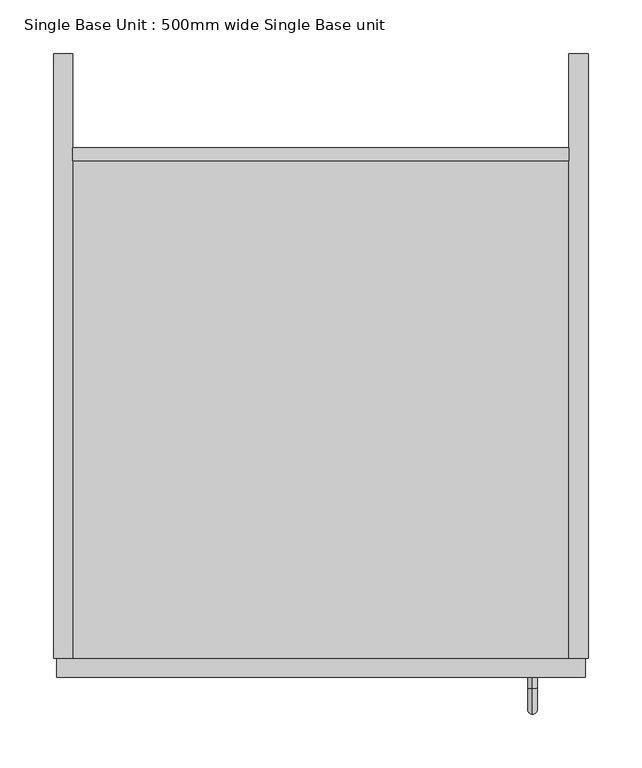
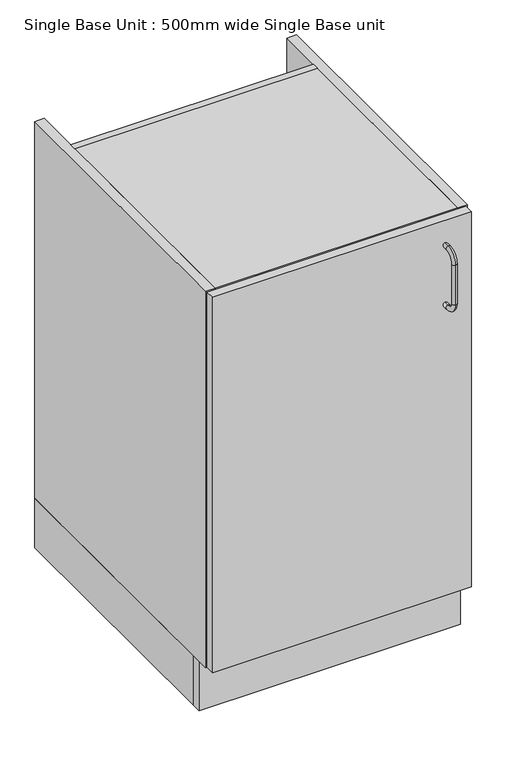
"""IFC4 building model written with IfcOpenShell, lengths in millimetres: furniture geometry, Single Base Unit : 500mm wide Single Base unit."""

from ifc_helpers import new_model, si_unit, point, frame, origin, origin_with_axes, place, context, project, spatial, polyline, circle_curve, ellipse_curve, trimmed, outline, extrude, source, transform, mapped, element, save
from ifc_brep_helpers import plane_surface, cylinder_surface, revolved_surface, advanced_brep


def single_base_unit_500mm_wide_single_base_unit_5cf17a36(model_context):
    return source(origin(), model_context, "Body", "SolidModel", [
        advanced_brep(
        [(292.6690764, -583.0, 812.4785526), (292.6690764, -583.0, 803.4785526), (292.6690764, -593.0, 812.4785526), (292.6690764, -593.0, 803.4785526), (292.6690764, -608.5, 787.9785526), (292.6690764, -617.5, 787.9785526), (292.6690764, -617.5, 707.9785526), (292.6690764, -608.5, 707.9785526), (292.6690764, -593.0, 692.4785526), (292.6690764, -593.0, 683.4785526), (292.6690764, -583.0, 683.4785526), (292.6690764, -583.0, 692.4785526)],
        [
            (0, 1, circle_curve(frame((292.6690764, -583.0, 807.9785526), z_axis=(0.0, 1.0, 0.0), x_axis=(0.0, 0.0, -1.0)), 4.5)),
            (1, 0, circle_curve(frame((292.6690764, -583.0, 807.9785526), z_axis=(0.0, 1.0, 0.0), x_axis=(0.0, 0.0, -1.0)), 4.5)),
            (0, 2),
            (2, 3, circle_curve(frame((292.6690764, -593.0, 807.9785526), z_axis=(0.0, 1.0, 0.0), x_axis=(0.0, 0.0, -1.0)), 4.5)),
            (3, 1),
            (3, 2, circle_curve(frame((292.6690764, -593.0, 807.9785526), z_axis=(0.0, 1.0, 0.0), x_axis=(0.0, 0.0, -1.0)), 4.5)),
            (4, 3, circle_curve(frame((292.6690764, -593.0, 787.9785526), z_axis=(-1.0, 0.0, 0.0), x_axis=(0.0, 0.0, 1.0)), 15.5)),
            (2, 5, circle_curve(frame((292.6690764, -593.0, 787.9785526), z_axis=(1.0, 0.0, 0.0), x_axis=(0.0, 0.0, 1.0)), 24.5)),
            (5, 4, circle_curve(frame((292.6690764, -613.0, 787.9785526), z_axis=(0.0, 0.0, 1.0), x_axis=(0.0, 1.0, 0.0)), 4.5)),
            (4, 5, circle_curve(frame((292.6690764, -613.0, 787.9785526), z_axis=(0.0, 0.0, 1.0), x_axis=(0.0, 1.0, 0.0)), 4.5)),
            (5, 6),
            (6, 7, circle_curve(frame((292.6690764, -613.0, 707.9785526), z_axis=(0.0, 0.0, 1.0), x_axis=(0.0, 1.0, 0.0)), 4.5)),
            (7, 4),
            (7, 6, circle_curve(frame((292.6690764, -613.0, 707.9785526), z_axis=(0.0, 0.0, 1.0), x_axis=(0.0, 1.0, 0.0)), 4.5)),
            (8, 7, circle_curve(frame((292.6690764, -593.0, 707.9785526), z_axis=(-1.0, 0.0, 0.0), x_axis=(0.0, -1.0, 0.0)), 15.5)),
            (6, 9, circle_curve(frame((292.6690764, -593.0, 707.9785526), z_axis=(1.0, 0.0, 0.0), x_axis=(0.0, -1.0, 0.0)), 24.5)),
            (9, 8, circle_curve(frame((292.6690764, -593.0, 687.9785526), z_axis=(0.0, -1.0, 0.0), x_axis=(0.0, 0.0, 1.0)), 4.5)),
            (8, 9, circle_curve(frame((292.6690764, -593.0, 687.9785526), z_axis=(0.0, -1.0, 0.0), x_axis=(0.0, 0.0, 1.0)), 4.5)),
            (10, 11, circle_curve(frame((292.6690764, -583.0, 687.9785526), z_axis=(0.0, 1.0, 0.0), x_axis=(0.0, 0.0, 1.0)), 4.5)),
            (11, 10, circle_curve(frame((292.6690764, -583.0, 687.9785526), z_axis=(0.0, 1.0, 0.0), x_axis=(0.0, 0.0, 1.0)), 4.5)),
            (9, 10),
            (11, 8),
        ],
        [
            plane_surface(frame((292.6690764, -583.0, 807.9785526), z_axis=(0.0, 1.0, 0.0), x_axis=(1.0, 0.0, 0.0))),
            cylinder_surface(frame((292.6690764, -583.0, 807.9785526), z_axis=(0.0, 1.0, 0.0), x_axis=(0.0, 0.0, -1.0)), 4.5),
            revolved_surface(trimmed(ellipse_curve(frame((292.6690764, -593.0, 807.9785526), z_axis=(0.0, 1.0, 0.0), x_axis=(0.0, 0.0, -1.0)), 4.5, 4.5), [point((292.6690764, -593.0, 812.4785526))], [point((292.6690764, -593.0, 803.4785526))], True, "CARTESIAN"), (292.6690764, -593.0, 787.9785526), (1.0, 0.0, 0.0)),
            revolved_surface(trimmed(ellipse_curve(frame((292.6690764, -593.0, 807.9785526), z_axis=(0.0, 1.0, 0.0), x_axis=(0.0, 0.0, -1.0)), 4.5, 4.5), [point((292.6690764, -593.0, 803.4785526))], [point((292.6690764, -593.0, 812.4785526))], True, "CARTESIAN"), (292.6690764, -593.0, 787.9785526), (1.0, 0.0, 0.0)),
            cylinder_surface(frame((292.6690764, -613.0, 787.9785526), z_axis=(0.0, 0.0, 1.0), x_axis=(0.0, 1.0, 0.0)), 4.5),
            revolved_surface(trimmed(ellipse_curve(frame((292.6690764, -613.0, 707.9785526), z_axis=(0.0, 0.0, 1.0), x_axis=(0.0, 1.0, 0.0)), 4.5, 4.5), [point((292.6690764, -617.5, 707.9785526))], [point((292.6690764, -608.5, 707.9785526))], True, "CARTESIAN"), (292.6690764, -593.0, 707.9785526), (1.0, 0.0, 0.0)),
            revolved_surface(trimmed(ellipse_curve(frame((292.6690764, -613.0, 707.9785526), z_axis=(0.0, 0.0, 1.0), x_axis=(0.0, 1.0, 0.0)), 4.5, 4.5), [point((292.6690764, -608.5, 707.9785526))], [point((292.6690764, -617.5, 707.9785526))], True, "CARTESIAN"), (292.6690764, -593.0, 707.9785526), (1.0, 0.0, 0.0)),
            plane_surface(frame((292.6690764, -583.0, 687.9785526), z_axis=(0.0, 1.0, 0.0), x_axis=(1.0, 0.0, 0.0))),
            cylinder_surface(frame((292.6690764, -593.0, 687.9785526), z_axis=(0.0, -1.0, 0.0), x_axis=(0.0, 0.0, 1.0)), 4.5),
        ],
        [
            (0, [[1, 2]]),
            (1, [[-1, 3, 4, 5]]),
            (1, [[-2, -5, 6, -3]]),
            (2, [[7, -4, 8, 9]]),
            (3, [[-8, -6, -7, 10]]),
            (4, [[-9, 11, 12, 13]]),
            (4, [[-10, -13, 14, -11]]),
            (5, [[15, -12, 16, 17]]),
            (6, [[-16, -14, -15, 18]]),
            (7, [[19, 20]]),
            (8, [[-17, 21, -20, 22]]),
            (8, [[-18, -22, -19, -21]]),
        ],
    ),
        extrude(outline(polyline([(342.2003264, -583.0), (-152.2996736, -583.0), (-152.2996736, -565.0), (342.2003264, -565.0), (342.2003264, -583.0)])), frame((0.0, 0.0, 100.0), z_axis=(0.0, 0.0, 1.0), x_axis=(1.0, 0.0, 0.0)), (0.0, 0.0, 1.0), 757.5),
        extrude(outline(polyline([(326.7003264, -88.0), (326.7003264, -100.0), (-137.2996736, -100.0), (-137.2996736, -88.0), (326.7003264, -88.0)])), frame((0.0, 0.0, 100.0), z_axis=(0.0, 0.0, 1.0), x_axis=(1.0, 0.0, 0.0)), (0.0, 0.0, 1.0), 760.0),
        extrude(outline(polyline([(326.7003264, 0.0), (344.7003264, 0.0), (344.7003264, -565.0), (326.7003264, -565.0), (326.7003264, 0.0)])), frame((0.0, 0.0, 100.0), z_axis=(0.0, 0.0, 1.0), x_axis=(1.0, 0.0, 0.0)), (0.0, 0.0, 1.0), 760.0),
        extrude(outline(polyline([(-137.2996736, 0.0), (-137.2996736, -565.0), (-155.2996736, -565.0), (-155.2996736, 0.0), (-137.2996736, 0.0)])), frame((0.0, 0.0, 100.0), z_axis=(0.0, 0.0, 1.0), x_axis=(1.0, 0.0, 0.0)), (0.0, 0.0, 1.0), 760.0),
        extrude(outline(polyline([(344.7003264, -525.0), (344.7003264, -543.0), (-155.2996736, -543.0), (-155.2996736, -525.0), (344.7003264, -525.0)])), origin_with_axes(), (0.0, 0.0, 1.0), 100.0),
        extrude(outline(polyline([(-155.2996736, 0.0), (-137.2996736, 0.0), (-137.2996736, -525.0), (-155.2996736, -525.0), (-155.2996736, 0.0)])), origin_with_axes(), (0.0, 0.0, 1.0), 100.0),
        extrude(outline(polyline([(344.7003264, 0.0), (344.7003264, -525.0), (326.7003264, -525.0), (326.7003264, 0.0), (344.7003264, 0.0)])), origin_with_axes(), (0.0, 0.0, 1.0), 100.0),
        extrude(outline(polyline([(326.7003264, -565.0), (-137.2996736, -565.0), (-137.2996736, -100.0), (326.7003264, -100.0), (326.7003264, -565.0)])), frame((0.0, 0.0, 100.0), z_axis=(0.0, 0.0, 1.0), x_axis=(1.0, 0.0, 0.0)), (0.0, 0.0, 1.0), 18.0),
        extrude(outline(polyline([(326.7003264, -565.0), (-137.2996736, -565.0), (-137.2996736, -100.0), (326.7003264, -100.0), (326.7003264, -565.0)])), frame((0.0, 0.0, 842.0), z_axis=(0.0, 0.0, 1.0), x_axis=(1.0, 0.0, 0.0)), (0.0, 0.0, 1.0), 18.0),
    ])


if __name__ == "__main__":
    model = new_model("IFC4")
    model_context = context("Model", 3, world=origin())
    ifc_project = project(units=[si_unit("LENGTHUNIT", "METRE", prefix="MILLI")], contexts=[model_context])
    site = spatial("IfcSite", under=ifc_project)
    building = spatial("IfcBuilding", under=site)
    placement = place(None, origin())
    single_base_unit_500mm_wide_single_base_unit_shape = single_base_unit_500mm_wide_single_base_unit_5cf17a36(model_context)
    element("IfcFurniture", 1, ObjectType="Single Base Unit : 500mm wide Single Base unit", at=placement, inside=building, context=model_context, shape_type="MappedRepresentation", body=[
        mapped(single_base_unit_500mm_wide_single_base_unit_shape, transform((0.0, 0.0, 0.0), x_axis=(1.0, 0.0, 0.0), y_axis=(0.0, 1.0, 0.0), z_axis=(0.0, 0.0, 1.0))),
    ])
    save(model, "model.ifc")
